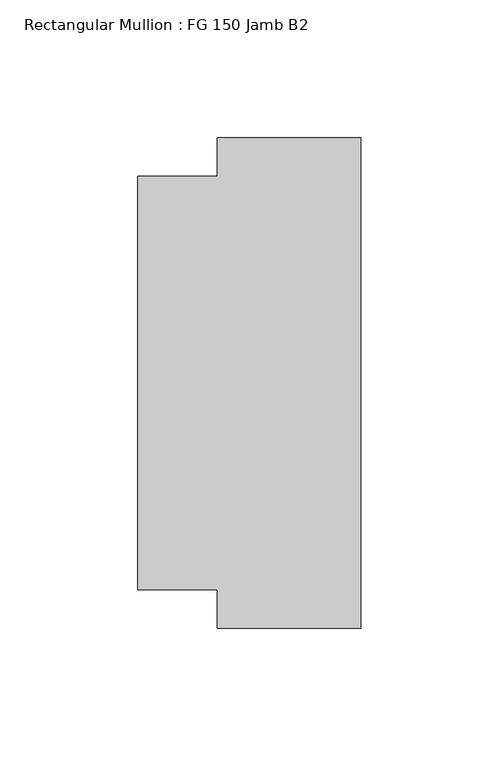
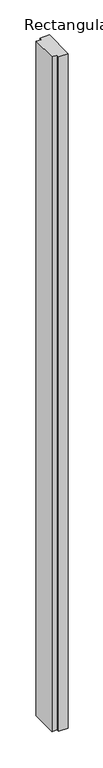
"""IFC4 building model written with IfcOpenShell, lengths in millimetres: member geometry, Rectangular Mullion : FG 150 Jamb B2."""

import ifcopenshell
import ifcopenshell.guid

model = None  # the IFC model being written
_history = None  # IfcOwnerHistory: only IFC2X3 demands one
_inside = {}  # id of a spatial element -> (the spatial element, [elements in it])
_under = {}  # id of a project, library or spatial element -> (it, [spatial elements below it])
_declared = {}  # id of a project -> (the project, [libraries it declares])
_typed = {}  # id of a type object -> (the type object, [elements of that type])
_made_of = {}  # id of a material, layer set ... -> (it, [elements and type objects made of it])


def new_model(schema):
    """Start an empty IFC model of exactly this schema.

    Asked for "IFC4X3", IfcOpenShell would pick the latest addendum, in which some entities
    have other attributes; the version numbers below select the first issue.
    IFC2X3 requires an IfcOwnerHistory on every rooted entity: one is made here for all.
    """
    global model, _history
    if schema == "IFC4X3":
        model = ifcopenshell.file(schema_version=(4, 3, 0, 0))
    else:
        model = ifcopenshell.file(schema=schema)
    _inside.clear()
    _under.clear()
    _declared.clear()
    _typed.clear()
    _made_of.clear()
    _history = None
    if model.schema == "IFC2X3":
        org = make("IfcOrganization", Name="unknown")
        user = make(
            "IfcPersonAndOrganization",
            ThePerson=make("IfcPerson", FamilyName="unknown"),
            TheOrganization=org,
        )
        app = make(
            "IfcApplication",
            ApplicationDeveloper=org,
            Version="unknown",
            ApplicationFullName="unknown",
            ApplicationIdentifier="unknown",
        )
        _history = make(
            "IfcOwnerHistory",
            OwningUser=user,
            OwningApplication=app,
            ChangeAction="ADDED",
            CreationDate=0,
        )
    return model


def make(cls, **values):
    """One entity of the class cls with the attributes given. An attribute that is None is left unset."""
    return model.create_entity(
        cls, **{name: value for name, value in values.items() if value is not None}
    )


def rooted(cls, **values):
    """An entity with a GlobalId (a new one), such as an element, a storey or a relation."""
    return make(cls, GlobalId=ifcopenshell.guid.new(), OwnerHistory=_history, **values)


def si_unit(unit_type, name, prefix=None):
    """IfcSIUnit, for example si_unit("LENGTHUNIT", "METRE", prefix="MILLI")."""
    return make("IfcSIUnit", UnitType=unit_type, Prefix=prefix, Name=name)


def assignment(units):
    """IfcUnitAssignment: the units of a project."""
    return None if units is None else make("IfcUnitAssignment", Units=units)


def point(xyz):
    """IfcCartesianPoint."""
    return None if xyz is None else make("IfcCartesianPoint", Coordinates=xyz)


def direction(xyz):
    """IfcDirection."""
    return None if xyz is None else make("IfcDirection", DirectionRatios=xyz)


def frame(location, z_axis=None, x_axis=None):
    """IfcAxis2Placement3D, a coordinate frame: its origin and axes. An axis left out is left unset."""
    return make(
        "IfcAxis2Placement3D",
        Location=point(location),
        Axis=direction(z_axis),
        RefDirection=direction(x_axis),
    )


def origin():
    """The frame at (0, 0, 0) with its axes left unset."""
    return frame((0.0, 0.0, 0.0))


def place(relative_to, where):
    """IfcLocalPlacement: puts the frame where relative to a parent placement (None: the world)."""
    return make(
        "IfcLocalPlacement", PlacementRelTo=relative_to, RelativePlacement=where
    )


def context(
    kind, dimensions, precision=None, world=None, true_north=None, identifier=None
):
    """IfcGeometricRepresentationContext, for example the 3D "Model" context."""
    return make(
        "IfcGeometricRepresentationContext",
        ContextIdentifier=identifier,
        ContextType=kind,
        CoordinateSpaceDimension=dimensions,
        Precision=precision,
        WorldCoordinateSystem=world,
        TrueNorth=true_north,
    )


def project(units=None, contexts=None):
    """IfcProject with its units and contexts."""
    return rooted(
        "IfcProject",
        Name="project",
        RepresentationContexts=contexts,
        UnitsInContext=assignment(units),
    )


def spatial(cls, under=None, at=None, **own):
    """A site, building, storey or space (cls), placed at a placement, below another one or the project."""
    s = rooted(cls, ObjectPlacement=at, **own)
    if under is not None:
        _under.setdefault(under.id(), (under, []))[1].append(s)
    return s


def polyline(points):
    """IfcPolyline through the points."""
    return make("IfcPolyline", Points=[point(p) for p in points])


def outline(outer, holes=None, kind="AREA"):
    """IfcArbitraryClosedProfileDef: a profile drawn as a closed curve; with holes, ...WithVoids."""
    if holes is None:
        return make("IfcArbitraryClosedProfileDef", ProfileType=kind, OuterCurve=outer)
    return make(
        "IfcArbitraryProfileDefWithVoids",
        ProfileType=kind,
        OuterCurve=outer,
        InnerCurves=holes,
    )


def extrude(swept, where, along, depth):
    """IfcExtrudedAreaSolid: the profile swept, set in the frame where, extruded along a direction by depth."""
    return make(
        "IfcExtrudedAreaSolid",
        SweptArea=swept,
        Position=where,
        ExtrudedDirection=direction(along),
        Depth=depth,
    )


def shape(context_of_items, identifier, shape_type, items):
    """IfcShapeRepresentation: the items that make up one representation, for example the "Body"."""
    return make(
        "IfcShapeRepresentation",
        ContextOfItems=context_of_items,
        RepresentationIdentifier=identifier,
        RepresentationType=shape_type,
        Items=items,
    )


def source(mapping_origin, context_of_items, identifier, shape_type, items):
    """IfcRepresentationMap: a shape defined once, which mapped items show again and again."""
    return make(
        "IfcRepresentationMap",
        MappingOrigin=mapping_origin,
        MappedRepresentation=shape(context_of_items, identifier, shape_type, items),
    )


def transform(
    local_origin,
    x_axis=None,
    y_axis=None,
    z_axis=None,
    scale=None,
    scale2=None,
    scale3=None,
    uniform=True,
):
    """IfcCartesianTransformationOperator3D, or its non-uniform kind. x_axis, y_axis, z_axis: its Axis1, 2, 3."""
    if uniform:
        return make(
            "IfcCartesianTransformationOperator3D",
            Axis1=direction(x_axis),
            Axis2=direction(y_axis),
            LocalOrigin=point(local_origin),
            Scale=scale,
            Axis3=direction(z_axis),
        )
    return make(
        "IfcCartesianTransformationOperator3DnonUniform",
        Axis1=direction(x_axis),
        Axis2=direction(y_axis),
        LocalOrigin=point(local_origin),
        Scale=scale,
        Axis3=direction(z_axis),
        Scale2=scale2,
        Scale3=scale3,
    )


def mapped(mapping_source, mapping_target):
    """IfcMappedItem: shows the shape of a source again, moved by a transform."""
    return make(
        "IfcMappedItem", MappingSource=mapping_source, MappingTarget=mapping_target
    )


def made_of(thing, what):
    """Note that an element or type object is made of a material, layer set ...; save() writes the relation."""
    if what is not None:
        _made_of.setdefault(what.id(), (what, []))[1].append(thing)
    return thing


def element(
    cls,
    number,
    at=None,
    inside=None,
    cuts=None,
    type_object=None,
    material=None,
    context=None,
    identifier="Body",
    shape_type=None,
    held_by="IfcProductDefinitionShape",
    body=None,
    shapes=None,
    **own,
):
    """One element of the class cls, such as IfcWall. Its Tag is "e" and its number.

    at: its placement. inside: the storey or other place that contains it. cuts: it is an
    opening in that element (IfcRelVoidsElement). A single representation is given by context,
    identifier, shape_type and body (its items); several are given by shapes. held_by: the class
    of the entity that holds the representations. save() writes the other relations.
    """
    e = rooted(cls, Tag="e%d" % number, ObjectPlacement=at, **own)
    if body is not None:
        shapes = [shape(context, identifier, shape_type, body)]
    if shapes is not None:
        e.Representation = make(held_by, Representations=shapes)
    if inside is not None:
        _inside.setdefault(inside.id(), (inside, []))[1].append(e)
    if cuts is not None:
        rooted(
            "IfcRelVoidsElement", RelatingBuildingElement=cuts, RelatedOpeningElement=e
        )
    if type_object is not None:
        _typed.setdefault(type_object.id(), (type_object, []))[1].append(e)
    return made_of(e, material)


def aggregate(whole, parts):
    """IfcRelAggregates: a whole, such as a stair, and the parts it consists of."""
    return rooted("IfcRelAggregates", RelatingObject=whole, RelatedObjects=parts)


def save(model, path):
    """Write the relations noted so far, then the file.

    IfcRelAggregates (storeys below a building ...), IfcRelContainedInSpatialStructure (elements
    in a storey), IfcRelDefinesByType, IfcRelAssociatesMaterial and IfcRelDeclares: one each for
    every whole, place, type object, material and project.
    """
    for whole, parts in _under.values():
        aggregate(whole, parts)
    for where, things in _inside.values():
        rooted(
            "IfcRelContainedInSpatialStructure",
            RelatedElements=things,
            RelatingStructure=where,
        )
    for kind, things in _typed.values():
        rooted("IfcRelDefinesByType", RelatedObjects=things, RelatingType=kind)
    for what, things in _made_of.values():
        rooted("IfcRelAssociatesMaterial", RelatedObjects=things, RelatingMaterial=what)
    for by, libraries in _declared.values():
        rooted("IfcRelDeclares", RelatingContext=by, RelatedDefinitions=libraries)
    model.write(path)


def rectangular_mullion_fg_150_jamb_b2_1891aa5a(model_context):
    return source(origin(), model_context, "Body", "SweptSolid", [
        extrude(outline(polyline([(0.0, -89.0053119), (-52.0, -89.0053119), (-52.0, -75.0), (-80.9079314, -75.0), (-80.9079314, 75.0001604), (-52.0, 75.0001604), (-52.0, 89.0001604), (0.0, 89.0001604), (0.0, -89.0053119)])), frame((0.0, 0.0, -3908.0), z_axis=(0.0, 0.0, 1.0), x_axis=(1.0, 0.0, 0.0)), (0.0, 0.0, 1.0), 3908.0),
    ])


if __name__ == "__main__":
    model = new_model("IFC4")
    model_context = context("Model", 3, world=origin())
    ifc_project = project(units=[si_unit("LENGTHUNIT", "METRE", prefix="MILLI")], contexts=[model_context])
    site = spatial("IfcSite", under=ifc_project)
    building = spatial("IfcBuilding", under=site)
    placement = place(None, origin())
    rectangular_mullion_fg_150_jamb_b2_shape = rectangular_mullion_fg_150_jamb_b2_1891aa5a(model_context)
    element("IfcMember", 1, ObjectType="Rectangular Mullion : FG 150 Jamb B2", at=placement, inside=building, context=model_context, shape_type="MappedRepresentation", body=[
        mapped(rectangular_mullion_fg_150_jamb_b2_shape, transform((0.0, 0.0, 0.0), x_axis=(1.0, 0.0, 0.0), y_axis=(0.0, 1.0, 0.0), z_axis=(0.0, 0.0, 1.0))),
    ])
    save(model, "model.ifc")
